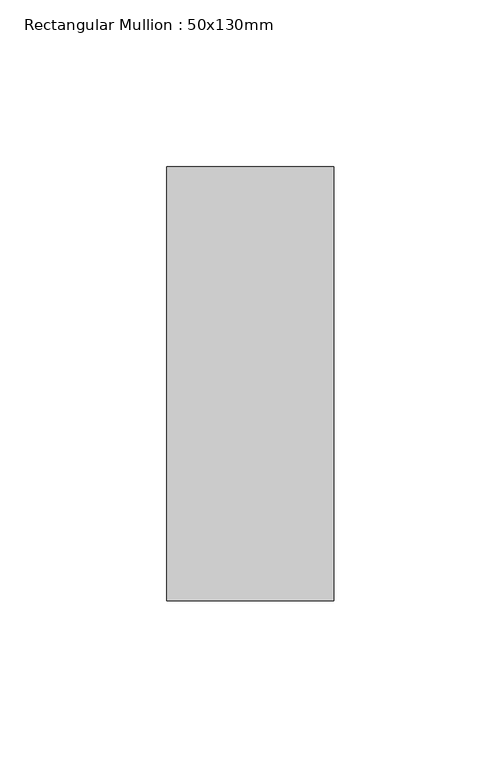
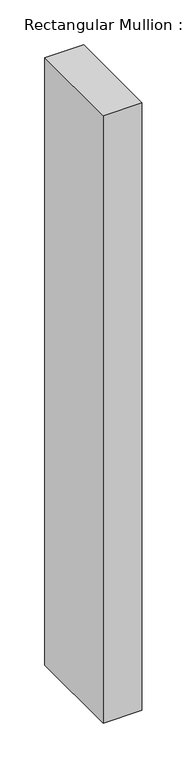
"""IFC4 building model written with IfcOpenShell, lengths in millimetres: member geometry, Rectangular Mullion : 50x130mm."""

import ifcopenshell
import ifcopenshell.guid

model = None  # the IFC model being written
_history = None  # IfcOwnerHistory: only IFC2X3 demands one
_inside = {}  # id of a spatial element -> (the spatial element, [elements in it])
_under = {}  # id of a project, library or spatial element -> (it, [spatial elements below it])
_declared = {}  # id of a project -> (the project, [libraries it declares])
_typed = {}  # id of a type object -> (the type object, [elements of that type])
_made_of = {}  # id of a material, layer set ... -> (it, [elements and type objects made of it])


def new_model(schema):
    """Start an empty IFC model of exactly this schema.

    Asked for "IFC4X3", IfcOpenShell would pick the latest addendum, in which some entities
    have other attributes; the version numbers below select the first issue.
    IFC2X3 requires an IfcOwnerHistory on every rooted entity: one is made here for all.
    """
    global model, _history
    if schema == "IFC4X3":
        model = ifcopenshell.file(schema_version=(4, 3, 0, 0))
    else:
        model = ifcopenshell.file(schema=schema)
    _inside.clear()
    _under.clear()
    _declared.clear()
    _typed.clear()
    _made_of.clear()
    _history = None
    if model.schema == "IFC2X3":
        org = make("IfcOrganization", Name="unknown")
        user = make(
            "IfcPersonAndOrganization",
            ThePerson=make("IfcPerson", FamilyName="unknown"),
            TheOrganization=org,
        )
        app = make(
            "IfcApplication",
            ApplicationDeveloper=org,
            Version="unknown",
            ApplicationFullName="unknown",
            ApplicationIdentifier="unknown",
        )
        _history = make(
            "IfcOwnerHistory",
            OwningUser=user,
            OwningApplication=app,
            ChangeAction="ADDED",
            CreationDate=0,
        )
    return model


def make(cls, **values):
    """One entity of the class cls with the attributes given. An attribute that is None is left unset."""
    return model.create_entity(
        cls, **{name: value for name, value in values.items() if value is not None}
    )


def rooted(cls, **values):
    """An entity with a GlobalId (a new one), such as an element, a storey or a relation."""
    return make(cls, GlobalId=ifcopenshell.guid.new(), OwnerHistory=_history, **values)


def si_unit(unit_type, name, prefix=None):
    """IfcSIUnit, for example si_unit("LENGTHUNIT", "METRE", prefix="MILLI")."""
    return make("IfcSIUnit", UnitType=unit_type, Prefix=prefix, Name=name)


def assignment(units):
    """IfcUnitAssignment: the units of a project."""
    return None if units is None else make("IfcUnitAssignment", Units=units)


def point(xyz):
    """IfcCartesianPoint."""
    return None if xyz is None else make("IfcCartesianPoint", Coordinates=xyz)


def direction(xyz):
    """IfcDirection."""
    return None if xyz is None else make("IfcDirection", DirectionRatios=xyz)


def frame(location, z_axis=None, x_axis=None):
    """IfcAxis2Placement3D, a coordinate frame: its origin and axes. An axis left out is left unset."""
    return make(
        "IfcAxis2Placement3D",
        Location=point(location),
        Axis=direction(z_axis),
        RefDirection=direction(x_axis),
    )


def origin():
    """The frame at (0, 0, 0) with its axes left unset."""
    return frame((0.0, 0.0, 0.0))


def place(relative_to, where):
    """IfcLocalPlacement: puts the frame where relative to a parent placement (None: the world)."""
    return make(
        "IfcLocalPlacement", PlacementRelTo=relative_to, RelativePlacement=where
    )


def context(
    kind, dimensions, precision=None, world=None, true_north=None, identifier=None
):
    """IfcGeometricRepresentationContext, for example the 3D "Model" context."""
    return make(
        "IfcGeometricRepresentationContext",
        ContextIdentifier=identifier,
        ContextType=kind,
        CoordinateSpaceDimension=dimensions,
        Precision=precision,
        WorldCoordinateSystem=world,
        TrueNorth=true_north,
    )


def project(units=None, contexts=None):
    """IfcProject with its units and contexts."""
    return rooted(
        "IfcProject",
        Name="project",
        RepresentationContexts=contexts,
        UnitsInContext=assignment(units),
    )


def spatial(cls, under=None, at=None, **own):
    """A site, building, storey or space (cls), placed at a placement, below another one or the project."""
    s = rooted(cls, ObjectPlacement=at, **own)
    if under is not None:
        _under.setdefault(under.id(), (under, []))[1].append(s)
    return s


def polyline(points):
    """IfcPolyline through the points."""
    return make("IfcPolyline", Points=[point(p) for p in points])


def outline(outer, holes=None, kind="AREA"):
    """IfcArbitraryClosedProfileDef: a profile drawn as a closed curve; with holes, ...WithVoids."""
    if holes is None:
        return make("IfcArbitraryClosedProfileDef", ProfileType=kind, OuterCurve=outer)
    return make(
        "IfcArbitraryProfileDefWithVoids",
        ProfileType=kind,
        OuterCurve=outer,
        InnerCurves=holes,
    )


def extrude(swept, where, along, depth):
    """IfcExtrudedAreaSolid: the profile swept, set in the frame where, extruded along a direction by depth."""
    return make(
        "IfcExtrudedAreaSolid",
        SweptArea=swept,
        Position=where,
        ExtrudedDirection=direction(along),
        Depth=depth,
    )


def shape(context_of_items, identifier, shape_type, items):
    """IfcShapeRepresentation: the items that make up one representation, for example the "Body"."""
    return make(
        "IfcShapeRepresentation",
        ContextOfItems=context_of_items,
        RepresentationIdentifier=identifier,
        RepresentationType=shape_type,
        Items=items,
    )


def source(mapping_origin, context_of_items, identifier, shape_type, items):
    """IfcRepresentationMap: a shape defined once, which mapped items show again and again."""
    return make(
        "IfcRepresentationMap",
        MappingOrigin=mapping_origin,
        MappedRepresentation=shape(context_of_items, identifier, shape_type, items),
    )


def transform(
    local_origin,
    x_axis=None,
    y_axis=None,
    z_axis=None,
    scale=None,
    scale2=None,
    scale3=None,
    uniform=True,
):
    """IfcCartesianTransformationOperator3D, or its non-uniform kind. x_axis, y_axis, z_axis: its Axis1, 2, 3."""
    if uniform:
        return make(
            "IfcCartesianTransformationOperator3D",
            Axis1=direction(x_axis),
            Axis2=direction(y_axis),
            LocalOrigin=point(local_origin),
            Scale=scale,
            Axis3=direction(z_axis),
        )
    return make(
        "IfcCartesianTransformationOperator3DnonUniform",
        Axis1=direction(x_axis),
        Axis2=direction(y_axis),
        LocalOrigin=point(local_origin),
        Scale=scale,
        Axis3=direction(z_axis),
        Scale2=scale2,
        Scale3=scale3,
    )


def mapped(mapping_source, mapping_target):
    """IfcMappedItem: shows the shape of a source again, moved by a transform."""
    return make(
        "IfcMappedItem", MappingSource=mapping_source, MappingTarget=mapping_target
    )


def made_of(thing, what):
    """Note that an element or type object is made of a material, layer set ...; save() writes the relation."""
    if what is not None:
        _made_of.setdefault(what.id(), (what, []))[1].append(thing)
    return thing


def element(
    cls,
    number,
    at=None,
    inside=None,
    cuts=None,
    type_object=None,
    material=None,
    context=None,
    identifier="Body",
    shape_type=None,
    held_by="IfcProductDefinitionShape",
    body=None,
    shapes=None,
    **own,
):
    """One element of the class cls, such as IfcWall. Its Tag is "e" and its number.

    at: its placement. inside: the storey or other place that contains it. cuts: it is an
    opening in that element (IfcRelVoidsElement). A single representation is given by context,
    identifier, shape_type and body (its items); several are given by shapes. held_by: the class
    of the entity that holds the representations. save() writes the other relations.
    """
    e = rooted(cls, Tag="e%d" % number, ObjectPlacement=at, **own)
    if body is not None:
        shapes = [shape(context, identifier, shape_type, body)]
    if shapes is not None:
        e.Representation = make(held_by, Representations=shapes)
    if inside is not None:
        _inside.setdefault(inside.id(), (inside, []))[1].append(e)
    if cuts is not None:
        rooted(
            "IfcRelVoidsElement", RelatingBuildingElement=cuts, RelatedOpeningElement=e
        )
    if type_object is not None:
        _typed.setdefault(type_object.id(), (type_object, []))[1].append(e)
    return made_of(e, material)


def aggregate(whole, parts):
    """IfcRelAggregates: a whole, such as a stair, and the parts it consists of."""
    return rooted("IfcRelAggregates", RelatingObject=whole, RelatedObjects=parts)


def save(model, path):
    """Write the relations noted so far, then the file.

    IfcRelAggregates (storeys below a building ...), IfcRelContainedInSpatialStructure (elements
    in a storey), IfcRelDefinesByType, IfcRelAssociatesMaterial and IfcRelDeclares: one each for
    every whole, place, type object, material and project.
    """
    for whole, parts in _under.values():
        aggregate(whole, parts)
    for where, things in _inside.values():
        rooted(
            "IfcRelContainedInSpatialStructure",
            RelatedElements=things,
            RelatingStructure=where,
        )
    for kind, things in _typed.values():
        rooted("IfcRelDefinesByType", RelatedObjects=things, RelatingType=kind)
    for what, things in _made_of.values():
        rooted("IfcRelAssociatesMaterial", RelatedObjects=things, RelatingMaterial=what)
    for by, libraries in _declared.values():
        rooted("IfcRelDeclares", RelatingContext=by, RelatedDefinitions=libraries)
    model.write(path)


def rectangular_mullion_50x130mm_ff3d5805(model_context):
    return source(origin(), model_context, "Body", "SweptSolid", [
        extrude(outline(polyline([(0.0, 65.0), (0.0, -65.0), (-50.0, -65.0), (-50.0, 65.0), (0.0, 65.0)])), frame((0.0, 0.0, -827.21375), z_axis=(0.0, 0.0, 1.0), x_axis=(1.0, 0.0, 0.0)), (0.0, 0.0, 1.0), 827.21375),
    ])


if __name__ == "__main__":
    model = new_model("IFC4")
    model_context = context("Model", 3, world=origin())
    ifc_project = project(units=[si_unit("LENGTHUNIT", "METRE", prefix="MILLI")], contexts=[model_context])
    site = spatial("IfcSite", under=ifc_project)
    building = spatial("IfcBuilding", under=site)
    placement = place(None, origin())
    rectangular_mullion_50x130mm_shape = rectangular_mullion_50x130mm_ff3d5805(model_context)
    element("IfcMember", 1, ObjectType="Rectangular Mullion : 50x130mm", at=placement, inside=building, context=model_context, shape_type="MappedRepresentation", body=[
        mapped(rectangular_mullion_50x130mm_shape, transform((0.0, 0.0, 0.0), x_axis=(1.0, 0.0, 0.0), y_axis=(0.0, 1.0, 0.0), z_axis=(0.0, 0.0, 1.0))),
    ])
    save(model, "model.ifc")
